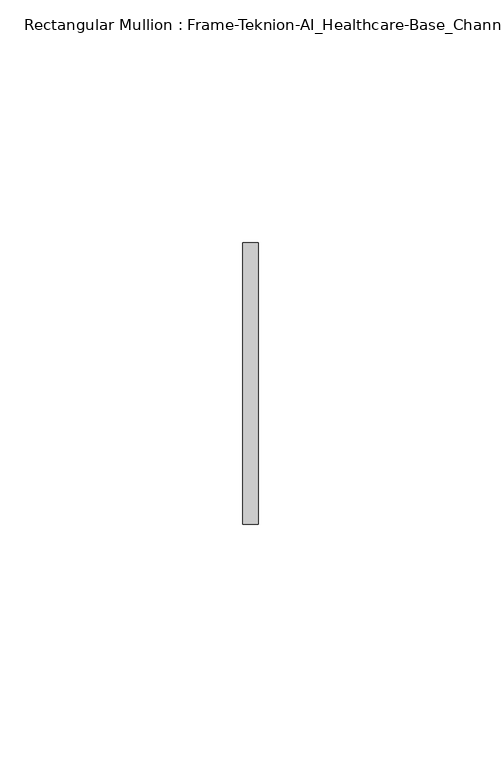
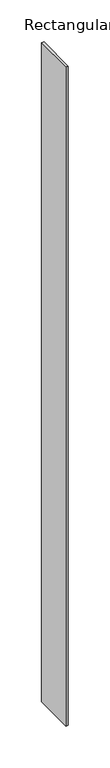
"""IFC4 building model written with IfcOpenShell, lengths in millimetres: member geometry, Rectangular Mullion : Frame-Teknion-AI_Healthcare-Base_Channel."""

from ifc_helpers import new_model, si_unit, frame, origin, place, context, project, spatial, polyline, outline, extrude, source, transform, mapped, element, save


def rectangular_mullion_frame_teknion_ai_healthcare_base_channel_7ca92579(model_context):
    return source(origin(), model_context, "Body", "SweptSolid", [
        extrude(outline(polyline([(0.0, 29.0214844), (0.0, -29.0214844), (-3.175, -29.0214844), (-3.175, 29.0214844), (0.0, 29.0214844)])), frame((0.0, 0.0, -961.3847584), z_axis=(0.0, 0.0, 1.0), x_axis=(1.0, 0.0, 0.0)), (0.0, 0.0, 1.0), 961.3847584),
    ])


if __name__ == "__main__":
    model = new_model("IFC4")
    model_context = context("Model", 3, world=origin())
    ifc_project = project(units=[si_unit("LENGTHUNIT", "METRE", prefix="MILLI")], contexts=[model_context])
    site = spatial("IfcSite", under=ifc_project)
    building = spatial("IfcBuilding", under=site)
    placement = place(None, origin())
    rectangular_mullion_frame_teknion_ai_healthcare_base_channel_shape = rectangular_mullion_frame_teknion_ai_healthcare_base_channel_7ca92579(model_context)
    element("IfcMember", 1, ObjectType="Rectangular Mullion : Frame-Teknion-AI_Healthcare-Base_Channel", at=placement, inside=building, context=model_context, shape_type="MappedRepresentation", body=[
        mapped(rectangular_mullion_frame_teknion_ai_healthcare_base_channel_shape, transform((0.0, 0.0, 0.0), x_axis=(1.0, 0.0, 0.0), y_axis=(0.0, 1.0, 0.0), z_axis=(0.0, 0.0, 1.0))),
    ])
    save(model, "model.ifc")
